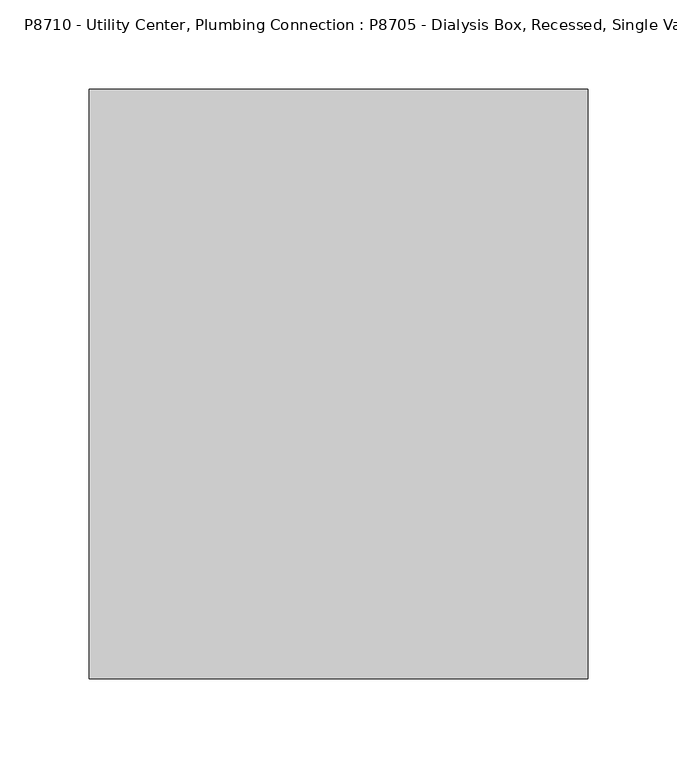
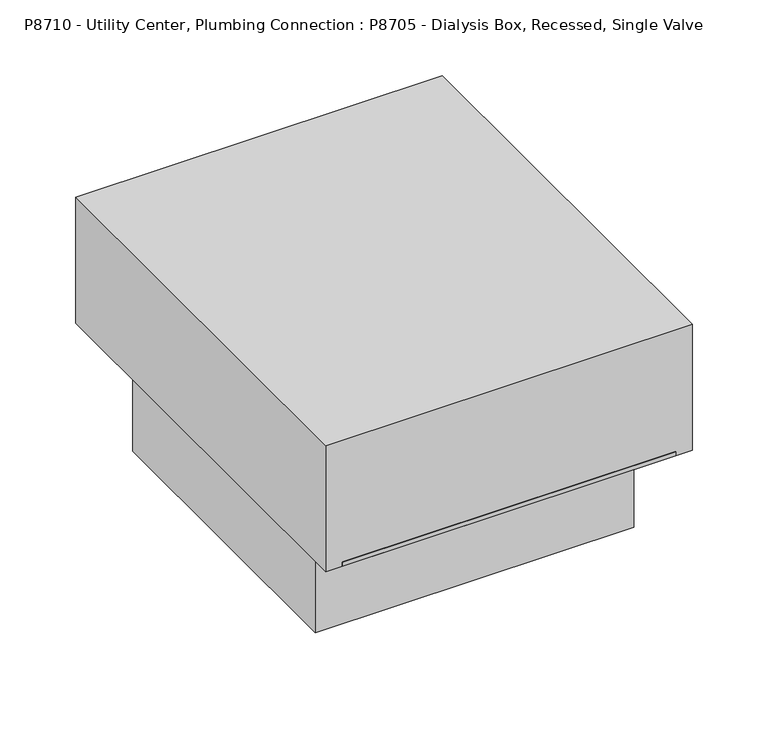
"""IFC4 building model written with IfcOpenShell, lengths in millimetres: proxy geometry, P8710 - Utility Center, Plumbing Connection : P8705 - Dialysis Box, Recessed, Single Valve."""

from ifc_helpers import new_model, si_unit, origin, origin_with_axes, place, context, project, spatial, polyline, outline, extrude, faceted_brep, source, transform, mapped, element, save


def p8710_utility_center_plumbing_connection_p8705_dialysis_box_e254666d(model_context):
    return source(origin(), model_context, "Body", "SolidModel", [
        faceted_brep([(127.0, 165.1, 3.175), (-127.0, 165.1, 3.175), (-127.0, -165.1, 3.175), (127.0, -165.1, 3.175), (114.3, -101.6, 3.175), (-114.3, -101.6, 3.175), (-114.3, 101.9737484, 3.175), (114.3, 101.9737484, 3.175), (127.0, 165.1, 0.0), (127.0, -165.1, 0.0), (-127.0, -165.1, 0.0), (-127.0, 165.1, 0.0), (120.65, -120.65, 0.0), (120.65, 120.65, 0.0), (-122.0738096, 120.65, 0.0), (-122.0738096, -120.65, 0.0), (120.65, -120.65, -82.55), (120.65, 120.65, -82.55), (-122.0738096, 120.65, -82.55), (-122.0738096, -120.65, -82.55), (114.3, -101.6, -76.2), (-114.3, -101.6, -76.2), (-114.3, 101.9737484, -76.2), (114.3, 101.9737484, -76.2)], [[[0, 1, 2, 3], [4, 5, 6, 7]], [[8, 9, 10, 11], [12, 13, 14, 15]], [[1, 0, 8, 11]], [[2, 1, 11, 10]], [[3, 2, 10, 9]], [[0, 3, 9, 8]], [[12, 16, 17, 13]], [[14, 18, 19, 15]], [[16, 12, 15, 19]], [[17, 16, 19, 18]], [[13, 17, 18, 14]], [[4, 20, 21, 5]], [[6, 22, 23, 7]], [[5, 21, 22, 6]], [[21, 20, 23, 22]], [[20, 4, 7, 23]]]),
        extrude(outline(polyline([(139.7, 165.1), (139.7, -165.1), (-139.7, -165.1), (-139.7, 165.1), (139.7, 165.1)])), origin_with_axes(), (0.0, 0.0, 1.0), 101.6),
    ])


if __name__ == "__main__":
    model = new_model("IFC4")
    model_context = context("Model", 3, world=origin())
    ifc_project = project(units=[si_unit("LENGTHUNIT", "METRE", prefix="MILLI")], contexts=[model_context])
    site = spatial("IfcSite", under=ifc_project)
    building = spatial("IfcBuilding", under=site)
    placement = place(None, origin())
    p8710_utility_center_plumbing_connection_p8705_dialysis_box_shape = p8710_utility_center_plumbing_connection_p8705_dialysis_box_e254666d(model_context)
    element("IfcBuildingElementProxy", 1, Name="P8710 - Utility Center, Plumbing Connection : P8705 - Dialysis Box, Recessed, Single Valve", ObjectType="P8710 - Utility Center, Plumbing Connection : P8705 - Dialysis Box, Recessed, Single Valve", at=placement, inside=building, context=model_context, shape_type="MappedRepresentation", body=[
        mapped(p8710_utility_center_plumbing_connection_p8705_dialysis_box_shape, transform((0.0, 0.0, 0.0), x_axis=(1.0, 0.0, 0.0), y_axis=(0.0, 1.0, 0.0), z_axis=(0.0, 0.0, 1.0))),
    ])
    save(model, "model.ifc")
